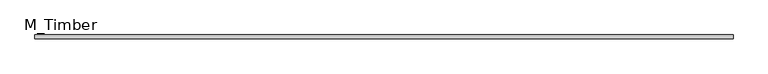
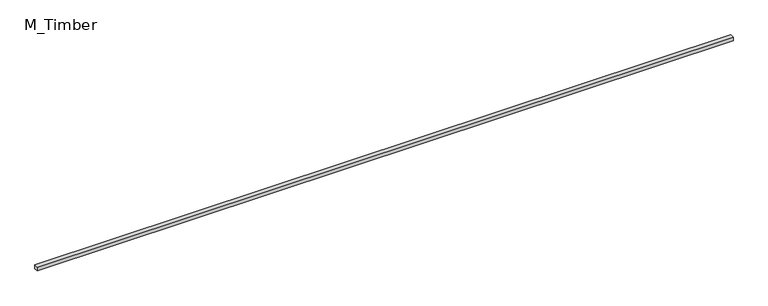
"""IFC4 building model written with IfcOpenShell, lengths in millimetres: beam geometry, M_Timber."""

from ifc_helpers import new_model, si_unit, frame, origin, place, context, project, spatial, polyline, outline, extrude, source, transform, mapped, element, save


def m_timber_2ce16638(model_context):
    return source(origin(), model_context, "Body", "SweptSolid", [
        extrude(outline(polyline([(5346.7565618, 30.0), (5346.7565618, -30.0), (-5346.7565618, -30.0), (-5346.7565618, 30.0), (5346.7565618, 30.0)])), frame((0.0, 0.0, -30.0), z_axis=(0.0, 0.0, 1.0), x_axis=(1.0, 0.0, 0.0)), (0.0, 0.0, 1.0), 60.0),
    ])


if __name__ == "__main__":
    model = new_model("IFC4")
    model_context = context("Model", 3, world=origin())
    ifc_project = project(units=[si_unit("LENGTHUNIT", "METRE", prefix="MILLI")], contexts=[model_context])
    site = spatial("IfcSite", under=ifc_project)
    building = spatial("IfcBuilding", under=site)
    placement = place(None, origin())
    m_timber_shape = m_timber_2ce16638(model_context)
    element("IfcBeam", 1, ObjectType="M_Timber", at=placement, inside=building, context=model_context, shape_type="MappedRepresentation", body=[
        mapped(m_timber_shape, transform((0.0, 0.0, 0.0), x_axis=(1.0, 0.0, 0.0), y_axis=(0.0, 1.0, 0.0), z_axis=(0.0, 0.0, 1.0))),
    ])
    save(model, "model.ifc")
